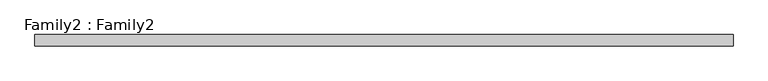
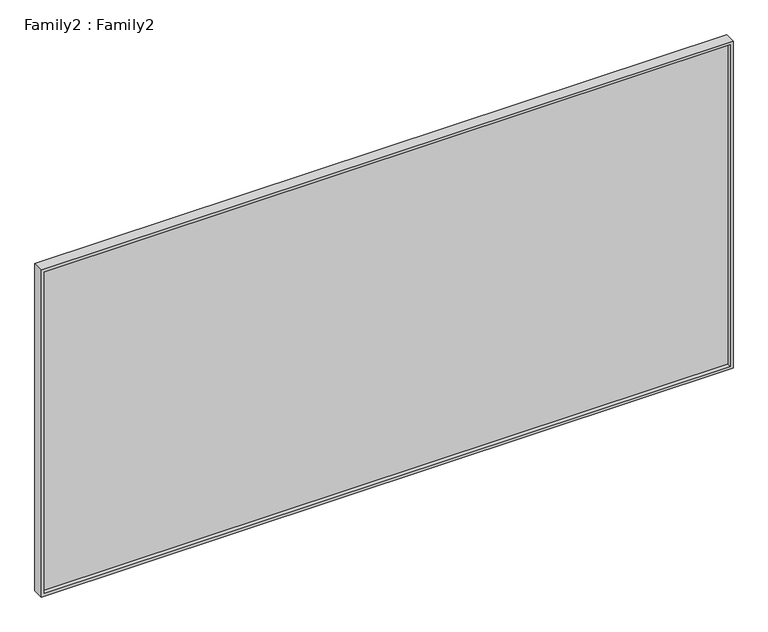
"""IFC4 building model written with IfcOpenShell, lengths in millimetres: plate geometry, Family2 : Family2."""

from ifc_helpers import new_model, si_unit, frame, origin, place, context, project, spatial, polyline, outline, extrude, source, transform, mapped, element, save


def family2_family2_6ac30205(model_context):
    return source(origin(), model_context, "Body", "SweptSolid", [
        extrude(outline(polyline([(2450.0, -2450.0), (0.0, -2450.0), (0.0, 2450.0), (2450.0, 2450.0), (2450.0, -2450.0)]), holes=[polyline([(20.0, -2430.0), (2430.0, -2430.0), (2430.0, 2430.0), (20.0, 2430.0), (20.0, -2430.0)])]), frame((0.0, -40.0, 0.0), z_axis=(0.0, 1.0, 0.0), x_axis=(0.0, 0.0, 1.0)), (0.0, 0.0, 1.0), 80.0),
        extrude(outline(polyline([(2430.0, -10.0), (-2430.0, -10.0), (-2430.0, 10.0), (2430.0, 10.0), (2430.0, -10.0)])), frame((0.0, 0.0, 20.0), z_axis=(0.0, 0.0, 1.0), x_axis=(1.0, 0.0, 0.0)), (0.0, 0.0, 1.0), 2410.0),
    ])


if __name__ == "__main__":
    model = new_model("IFC4")
    model_context = context("Model", 3, world=origin())
    ifc_project = project(units=[si_unit("LENGTHUNIT", "METRE", prefix="MILLI")], contexts=[model_context])
    site = spatial("IfcSite", under=ifc_project)
    building = spatial("IfcBuilding", under=site)
    placement = place(None, origin())
    family2_family2_shape = family2_family2_6ac30205(model_context)
    element("IfcPlate", 1, ObjectType="Family2 : Family2", at=placement, inside=building, context=model_context, shape_type="MappedRepresentation", body=[
        mapped(family2_family2_shape, transform((0.0, 0.0, 0.0), x_axis=(1.0, 0.0, 0.0), y_axis=(0.0, 1.0, 0.0), z_axis=(0.0, 0.0, 1.0))),
    ])
    save(model, "model.ifc")
